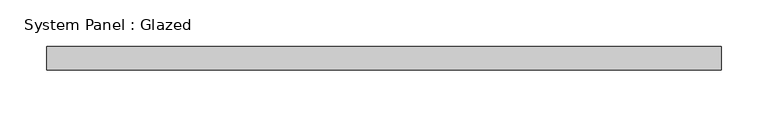
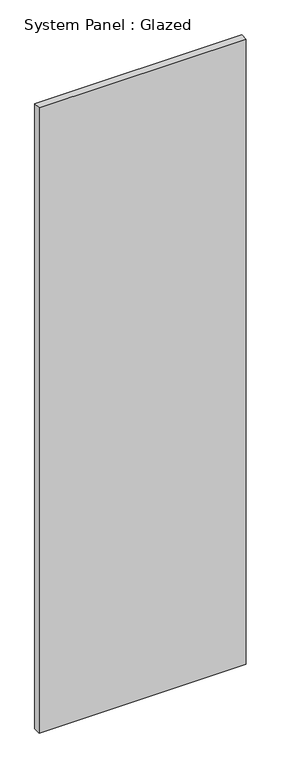
"""IFC4 building model written with IfcOpenShell, lengths in millimetres: plate geometry, System Panel : Glazed."""

from ifc_helpers import new_model, si_unit, origin, origin_with_axes, place, context, project, spatial, polyline, outline, extrude, source, transform, mapped, element, save


def system_panel_glazed_59571c19(model_context):
    return source(origin(), model_context, "Body", "SweptSolid", [
        extrude(outline(polyline([(360.5, -49.5), (-360.5, -49.5), (-360.5, -24.5), (360.5, -24.5), (360.5, -49.5)])), origin_with_axes(), (0.0, 0.0, 1.0), 2300.0),
    ])


if __name__ == "__main__":
    model = new_model("IFC4")
    model_context = context("Model", 3, world=origin())
    ifc_project = project(units=[si_unit("LENGTHUNIT", "METRE", prefix="MILLI")], contexts=[model_context])
    site = spatial("IfcSite", under=ifc_project)
    building = spatial("IfcBuilding", under=site)
    placement = place(None, origin())
    system_panel_glazed_shape = system_panel_glazed_59571c19(model_context)
    element("IfcPlate", 1, ObjectType="System Panel : Glazed", at=placement, inside=building, context=model_context, shape_type="MappedRepresentation", body=[
        mapped(system_panel_glazed_shape, transform((0.0, 0.0, 0.0), x_axis=(1.0, 0.0, 0.0), y_axis=(0.0, 1.0, 0.0), z_axis=(0.0, 0.0, 1.0))),
    ])
    save(model, "model.ifc")
